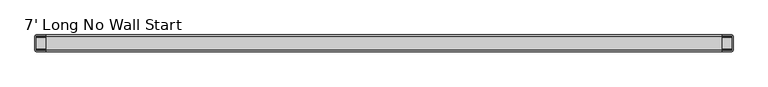
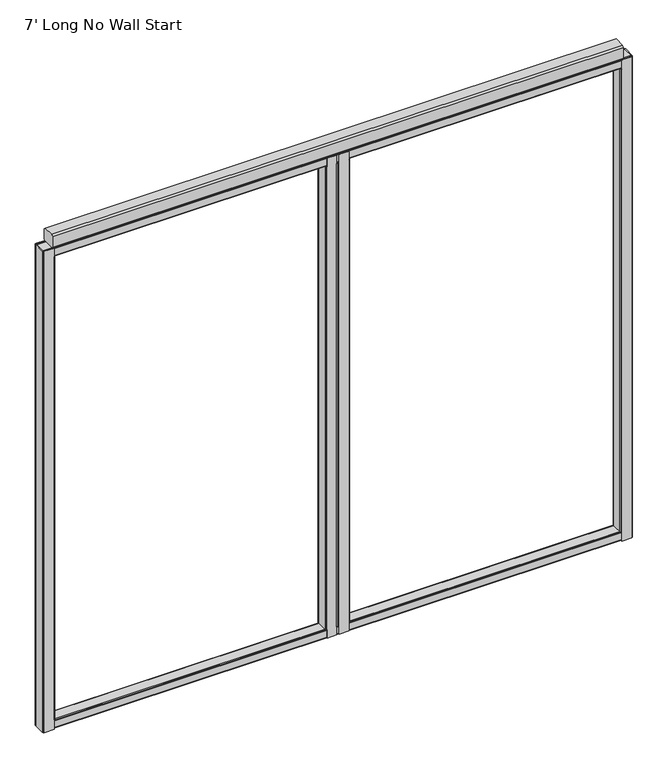
"""IFC4 building model written with IfcOpenShell, lengths in millimetres: furniture geometry, 7' Long No Wall Start."""

from ifc_helpers import new_model, si_unit, frame, origin, place, context, project, spatial, polyline, outline, extrude, faceted_brep, source, transform, mapped, element, save


def furniture_7_long_no_wall_start_5227ac3f(model_context):
    return source(origin(), model_context, "Body", "SolidModel", [
        faceted_brep([(1062.3042, 25.4, 1937.6408515), (1026.8458, 25.4, 1937.6408515), (1026.8458, 23.1181008, 1937.6408515), (1027.2651471, 23.2918, 1937.6408515), (1061.8848529, 23.2918, 1937.6408515), (1062.3042, 23.1181008, 1937.6408515), (1026.8458, -25.4, 1937.6408515), (1062.3042, -25.4, 1937.6408515), (1062.3042, -23.1181008, 1937.6408515), (1061.8848529, -23.2918, 1937.6408515), (1027.2651471, -23.2918, 1937.6408515), (1026.8458, -23.1181008, 1937.6408515), (1062.3042, -25.4, 104.7768515), (1026.8458, -25.4, 104.7768515), (1026.8458, -23.1181008, 104.7768515), (1027.2651471, -23.2918, 104.7768515), (1061.8848529, -23.2918, 104.7768515), (1062.3042, -23.1181008, 104.7768515), (1026.8458, 25.4, 104.7768515), (1062.3042, 25.4, 104.7768515), (1062.3042, 23.1181008, 104.7768515), (1061.8848529, 23.2918, 104.7768515), (1027.2651471, 23.2918, 104.7768515), (1026.8458, 23.1181008, 104.7768515), (1022.35, -20.9042, 1905.6368515), (1022.35, 20.9042, 1905.6368515), (1022.35, 20.9042, 136.7808515), (1022.35, -20.9042, 136.7808515), (1026.8458, -25.4, 1905.6368515), (1026.8458, -25.4, 136.7808515), (1062.3042, -25.4, 136.7808515), (1062.3042, -25.4, 1905.6368515), (1066.8, -20.9042, 136.7808515), (1066.8, 20.9042, 136.7808515), (1066.8, 20.9042, 1905.6368515), (1066.8, -20.9042, 1905.6368515), (1062.3042, 25.4, 1905.6368515), (1062.3042, 25.4, 136.7808515), (1026.8458, 25.4, 136.7808515), (1026.8458, 25.4, 1905.6368515), (1023.6667893, 24.0832107, 1905.6368515), (1023.6667893, 24.0832107, 136.7808515), (1023.6667893, -24.0832107, 1905.6368515), (1023.6667893, -24.0832107, 136.7808515), (1065.4832107, -24.0832107, 136.7808515), (1065.4832107, -24.0832107, 1905.6368515), (1065.4832107, 24.0832107, 136.7808515), (1065.4832107, 24.0832107, 1905.6368515), (1024.4582, 20.4848529, 1905.6368515), (1024.4582, -20.4848529, 1905.6368515), (1024.4582, -20.4848529, 136.7808515), (1024.4582, 20.4848529, 136.7808515), (1025.2803358, 22.4696642, 1905.6368515), (1025.2803358, 22.4696642, 136.7808515), (1026.8458, 23.1181008, 1905.6368515), (1026.8458, 23.1181008, 136.7808515), (1062.3042, 23.1181008, 136.7808515), (1063.8696642, 22.4696642, 136.7808515), (1063.8696642, 22.4696642, 1905.6368515), (1062.3042, 23.1181008, 1905.6368515), (1064.6918, 20.4848529, 136.7808515), (1064.6918, 20.4848529, 1905.6368515), (1064.6918, -20.4848529, 136.7808515), (1064.6918, -20.4848529, 1905.6368515), (1063.8696642, -22.4696642, 136.7808515), (1063.8696642, -22.4696642, 1905.6368515), (1062.3042, -23.1181008, 1905.6368515), (1062.3042, -23.1181008, 136.7808515), (1026.8458, -23.1181008, 136.7808515), (1025.2803358, -22.4696642, 136.7808515), (1025.2803358, -22.4696642, 1905.6368515), (1026.8458, -23.1181008, 1905.6368515)], [[[0, 1, 2, 3, 4, 5]], [[6, 7, 8, 9, 10, 11]], [[12, 13, 14, 15, 16, 17]], [[18, 19, 20, 21, 22, 23]], [[24, 25, 26, 27]], [[7, 6, 28, 29, 13, 12, 30, 31]], [[32, 33, 34, 35]], [[1, 0, 36, 37, 19, 18, 38, 39]], [[40, 39, 38, 41]], [[25, 40, 41, 26]], [[42, 24, 27, 43]], [[28, 42, 43, 29]], [[30, 44, 45, 31]], [[44, 32, 35, 45]], [[33, 46, 47, 34]], [[46, 37, 36, 47]], [[48, 49, 50, 51]], [[52, 48, 51, 53]], [[22, 3, 2, 54, 52, 53, 55, 23]], [[4, 3, 22, 21]], [[4, 21, 20, 56, 57, 58, 59, 5]], [[57, 60, 61, 58]], [[60, 62, 63, 61]], [[62, 64, 65, 63]], [[16, 9, 8, 66, 65, 64, 67, 17]], [[10, 9, 16, 15]], [[10, 15, 14, 68, 69, 70, 71, 11]], [[49, 70, 69, 50]], [[54, 39, 40, 25, 24, 42, 28, 71, 70, 49, 48, 52]], [[39, 54, 2, 1]], [[71, 28, 6, 11]], [[38, 55, 53, 51, 50, 69, 68, 29, 43, 27, 26, 41]], [[55, 38, 18, 23]], [[29, 68, 14, 13]], [[56, 37, 46, 33, 32, 44, 30, 67, 64, 62, 60, 57]], [[37, 56, 20, 19]], [[67, 30, 12, 17]], [[36, 59, 58, 61, 63, 65, 66, 31, 45, 35, 34, 47]], [[59, 36, 0, 5]], [[31, 66, 8, 7]]]),
        faceted_brep([(1106.7542, 25.4, 1937.6408515), (1071.2958, 25.4, 1937.6408515), (1071.2958, 23.1181008, 1937.6408515), (1071.7151471, 23.2918, 1937.6408515), (1106.3348529, 23.2918, 1937.6408515), (1106.7542, 23.1181008, 1937.6408515), (1071.2958, -25.4, 1937.6408515), (1106.7542, -25.4, 1937.6408515), (1106.7542, -23.1181008, 1937.6408515), (1106.3348529, -23.2918, 1937.6408515), (1071.7151471, -23.2918, 1937.6408515), (1071.2958, -23.1181008, 1937.6408515), (1106.7542, -25.4, 104.7768515), (1071.2958, -25.4, 104.7768515), (1071.2958, -23.1181008, 104.7768515), (1071.7151471, -23.2918, 104.7768515), (1106.3348529, -23.2918, 104.7768515), (1106.7542, -23.1181008, 104.7768515), (1071.2958, 25.4, 104.7768515), (1106.7542, 25.4, 104.7768515), (1106.7542, 23.1181008, 104.7768515), (1106.3348529, 23.2918, 104.7768515), (1071.7151471, 23.2918, 104.7768515), (1071.2958, 23.1181008, 104.7768515), (1111.25, 20.9042, 1905.6368515), (1111.25, -20.9042, 1905.6368515), (1111.25, -20.9042, 136.7808515), (1111.25, 20.9042, 136.7808515), (1071.2958, -25.4, 1905.6368515), (1071.2958, -25.4, 136.7808515), (1106.7542, -25.4, 136.7808515), (1106.7542, -25.4, 1905.6368515), (1066.8, -20.9042, 1905.6368515), (1066.8, 20.9042, 1905.6368515), (1066.8, 20.9042, 136.7808515), (1066.8, -20.9042, 136.7808515), (1106.7542, 25.4, 1905.6368515), (1106.7542, 25.4, 136.7808515), (1071.2958, 25.4, 136.7808515), (1071.2958, 25.4, 1905.6368515), (1109.9332107, 24.0832107, 1905.6368515), (1109.9332107, 24.0832107, 136.7808515), (1109.9332107, -24.0832107, 1905.6368515), (1109.9332107, -24.0832107, 136.7808515), (1068.1167893, -24.0832107, 1905.6368515), (1068.1167893, -24.0832107, 136.7808515), (1068.1167893, 24.0832107, 1905.6368515), (1068.1167893, 24.0832107, 136.7808515), (1109.1418, -20.4848529, 1905.6368515), (1109.1418, 20.4848529, 1905.6368515), (1109.1418, 20.4848529, 136.7808515), (1109.1418, -20.4848529, 136.7808515), (1108.3196642, 22.4696642, 1905.6368515), (1108.3196642, 22.4696642, 136.7808515), (1106.7542, 23.1181008, 136.7808515), (1106.7542, 23.1181008, 1905.6368515), (1071.2958, 23.1181008, 1905.6368515), (1069.7303358, 22.4696642, 1905.6368515), (1069.7303358, 22.4696642, 136.7808515), (1071.2958, 23.1181008, 136.7808515), (1068.9082, 20.4848529, 1905.6368515), (1068.9082, 20.4848529, 136.7808515), (1068.9082, -20.4848529, 1905.6368515), (1068.9082, -20.4848529, 136.7808515), (1069.7303358, -22.4696642, 1905.6368515), (1069.7303358, -22.4696642, 136.7808515), (1071.2958, -23.1181008, 136.7808515), (1071.2958, -23.1181008, 1905.6368515), (1106.7542, -23.1181008, 1905.6368515), (1108.3196642, -22.4696642, 1905.6368515), (1108.3196642, -22.4696642, 136.7808515), (1106.7542, -23.1181008, 136.7808515)], [[[0, 1, 2, 3, 4, 5]], [[6, 7, 8, 9, 10, 11]], [[12, 13, 14, 15, 16, 17]], [[18, 19, 20, 21, 22, 23]], [[24, 25, 26, 27]], [[7, 6, 28, 29, 13, 12, 30, 31]], [[32, 33, 34, 35]], [[1, 0, 36, 37, 19, 18, 38, 39]], [[36, 40, 41, 37]], [[40, 24, 27, 41]], [[25, 42, 43, 26]], [[42, 31, 30, 43]], [[28, 44, 45, 29]], [[44, 32, 35, 45]], [[33, 46, 47, 34]], [[46, 39, 38, 47]], [[48, 49, 50, 51]], [[49, 52, 53, 50]], [[4, 21, 20, 54, 53, 52, 55, 5]], [[4, 3, 22, 21]], [[22, 3, 2, 56, 57, 58, 59, 23]], [[57, 60, 61, 58]], [[60, 62, 63, 61]], [[62, 64, 65, 63]], [[10, 15, 14, 66, 65, 64, 67, 11]], [[10, 9, 16, 15]], [[16, 9, 8, 68, 69, 70, 71, 17]], [[69, 48, 51, 70]], [[36, 55, 52, 49, 48, 69, 68, 31, 42, 25, 24, 40]], [[55, 36, 0, 5]], [[31, 68, 8, 7]], [[54, 37, 41, 27, 26, 43, 30, 71, 70, 51, 50, 53]], [[37, 54, 20, 19]], [[71, 30, 12, 17]], [[56, 39, 46, 33, 32, 44, 28, 67, 64, 62, 60, 57]], [[39, 56, 2, 1]], [[67, 28, 6, 11]], [[38, 59, 58, 61, 63, 65, 66, 29, 45, 35, 34, 47]], [[59, 38, 18, 23]], [[29, 66, 14, 13]]]),
        faceted_brep([(39.9542, 25.4, 1940.56), (4.4958, 25.4, 1940.56), (1.3167893, 24.0832107, 1940.56), (0.0, 20.9042, 1940.56), (0.0, -20.9042, 1940.56), (1.3167893, -24.0832107, 1940.56), (4.4958, -25.4, 1940.56), (39.9542, -25.4, 1940.56), (39.9542, -23.1181008, 1940.56), (39.5348529, -23.2918, 1940.56), (4.9151471, -23.2918, 1940.56), (2.9303358, -22.4696642, 1940.56), (2.1082, -20.4848529, 1940.56), (2.1082, 20.4848529, 1940.56), (2.9303358, 22.4696642, 1940.56), (4.9151471, 23.2918, 1940.56), (39.5348529, 23.2918, 1940.56), (39.9542, 23.1181008, 1940.56), (39.9542, -25.4, 101.6), (4.4958, -25.4, 101.6), (1.3167893, -24.0832107, 101.6), (0.0, -20.9042, 101.6), (0.0, 20.9042, 101.6), (1.3167893, 24.0832107, 101.6), (4.4958, 25.4, 101.6), (39.9542, 25.4, 101.6), (39.9542, 23.1181008, 101.6), (39.5348529, 23.2918, 101.6), (4.9151471, 23.2918, 101.6), (2.9303358, 22.4696642, 101.6), (2.1082, 20.4848529, 101.6), (2.1082, -20.4848529, 101.6), (2.9303358, -22.4696642, 101.6), (4.9151471, -23.2918, 101.6), (39.5348529, -23.2918, 101.6), (39.9542, -23.1181008, 101.6), (44.45, 20.9042, 1905.635), (44.45, -20.9042, 1905.635), (44.45, -20.9042, 136.525), (44.45, 20.9042, 136.525), (39.9542, -25.4, 136.525), (39.9542, -25.4, 1905.635), (39.9542, 25.4, 1905.635), (39.9542, 25.4, 136.525), (43.1332107, 24.0832107, 1905.635), (43.1332107, 24.0832107, 136.525), (43.1332107, -24.0832107, 1905.635), (43.1332107, -24.0832107, 136.525), (42.3418, -20.4848529, 1905.635), (42.3418, 20.4848529, 1905.635), (42.3418, 20.4848529, 136.525), (42.3418, -20.4848529, 136.525), (41.5196642, 22.4696642, 1905.635), (41.5196642, 22.4696642, 136.525), (39.9542, 23.1181008, 136.525), (39.9542, 23.1181008, 1905.635), (39.9542, -23.1181008, 1905.635), (41.5196642, -22.4696642, 1905.635), (41.5196642, -22.4696642, 136.525), (39.9542, -23.1181008, 136.525)], [[[0, 1, 2, 3, 4, 5, 6, 7, 8, 9, 10, 11, 12, 13, 14, 15, 16, 17]], [[18, 19, 20, 21, 22, 23, 24, 25, 26, 27, 28, 29, 30, 31, 32, 33, 34, 35]], [[36, 37, 38, 39]], [[7, 6, 19, 18, 40, 41]], [[4, 3, 22, 21]], [[1, 0, 42, 43, 25, 24]], [[42, 44, 45, 43]], [[44, 36, 39, 45]], [[37, 46, 47, 38]], [[46, 41, 40, 47]], [[6, 5, 20, 19]], [[5, 4, 21, 20]], [[3, 2, 23, 22]], [[2, 1, 24, 23]], [[48, 49, 50, 51]], [[49, 52, 53, 50]], [[16, 27, 26, 54, 53, 52, 55, 17]], [[16, 15, 28, 27]], [[15, 14, 29, 28]], [[14, 13, 30, 29]], [[13, 12, 31, 30]], [[12, 11, 32, 31]], [[11, 10, 33, 32]], [[10, 9, 34, 33]], [[34, 9, 8, 56, 57, 58, 59, 35]], [[57, 48, 51, 58]], [[42, 55, 52, 49, 48, 57, 56, 41, 46, 37, 36, 44]], [[55, 42, 0, 17]], [[41, 56, 8, 7]], [[54, 43, 45, 39, 38, 47, 40, 59, 58, 51, 50, 53]], [[43, 54, 26, 25]], [[59, 40, 18, 35]]]),
        faceted_brep([(2093.6458, -25.4, 1940.56), (2129.1042, -25.4, 1940.56), (2132.2832107, -24.0832107, 1940.56), (2133.6, -20.9042, 1940.56), (2133.6, 20.9042, 1940.56), (2132.2832107, 24.0832107, 1940.56), (2129.1042, 25.4, 1940.56), (2093.6458, 25.4, 1940.56), (2093.6458, 23.1181008, 1940.56), (2094.0651471, 23.2918, 1940.56), (2128.6848529, 23.2918, 1940.56), (2130.6696642, 22.4696642, 1940.56), (2131.4918, 20.4848529, 1940.56), (2131.4918, -20.4848529, 1940.56), (2130.6696642, -22.4696642, 1940.56), (2128.6848529, -23.2918, 1940.56), (2094.0651471, -23.2918, 1940.56), (2093.6458, -23.1181008, 1940.56), (2093.6458, 25.4, 101.6), (2129.1042, 25.4, 101.6), (2132.2832107, 24.0832107, 101.6), (2133.6, 20.9042, 101.6), (2133.6, -20.9042, 101.6), (2132.2832107, -24.0832107, 101.6), (2129.1042, -25.4, 101.6), (2093.6458, -25.4, 101.6), (2093.6458, -23.1181008, 101.6), (2094.0651471, -23.2918, 101.6), (2128.6848529, -23.2918, 101.6), (2130.6696642, -22.4696642, 101.6), (2131.4918, -20.4848529, 101.6), (2131.4918, 20.4848529, 101.6), (2130.6696642, 22.4696642, 101.6), (2128.6848529, 23.2918, 101.6), (2094.0651471, 23.2918, 101.6), (2093.6458, 23.1181008, 101.6), (2089.15, -20.9042, 1905.635), (2089.15, 20.9042, 1905.635), (2089.15, 20.9042, 136.525), (2089.15, -20.9042, 136.525), (2093.6458, -25.4, 1905.635), (2093.6458, -25.4, 136.525), (2093.6458, 25.4, 136.525), (2093.6458, 25.4, 1905.635), (2090.4667893, 24.0832107, 1905.635), (2090.4667893, 24.0832107, 136.525), (2090.4667893, -24.0832107, 1905.635), (2090.4667893, -24.0832107, 136.525), (2091.2582, 20.4848529, 1905.635), (2091.2582, -20.4848529, 1905.635), (2091.2582, -20.4848529, 136.525), (2091.2582, 20.4848529, 136.525), (2092.0803358, 22.4696642, 1905.635), (2092.0803358, 22.4696642, 136.525), (2093.6458, 23.1181008, 1905.635), (2093.6458, 23.1181008, 136.525), (2093.6458, -23.1181008, 136.525), (2092.0803358, -22.4696642, 136.525), (2092.0803358, -22.4696642, 1905.635), (2093.6458, -23.1181008, 1905.635)], [[[0, 1, 2, 3, 4, 5, 6, 7, 8, 9, 10, 11, 12, 13, 14, 15, 16, 17]], [[18, 19, 20, 21, 22, 23, 24, 25, 26, 27, 28, 29, 30, 31, 32, 33, 34, 35]], [[36, 37, 38, 39]], [[1, 0, 40, 41, 25, 24]], [[4, 3, 22, 21]], [[7, 6, 19, 18, 42, 43]], [[44, 43, 42, 45]], [[37, 44, 45, 38]], [[46, 36, 39, 47]], [[40, 46, 47, 41]], [[2, 1, 24, 23]], [[3, 2, 23, 22]], [[5, 4, 21, 20]], [[6, 5, 20, 19]], [[48, 49, 50, 51]], [[52, 48, 51, 53]], [[34, 9, 8, 54, 52, 53, 55, 35]], [[10, 9, 34, 33]], [[11, 10, 33, 32]], [[12, 11, 32, 31]], [[13, 12, 31, 30]], [[14, 13, 30, 29]], [[15, 14, 29, 28]], [[16, 15, 28, 27]], [[16, 27, 26, 56, 57, 58, 59, 17]], [[49, 58, 57, 50]], [[54, 43, 44, 37, 36, 46, 40, 59, 58, 49, 48, 52]], [[43, 54, 8, 7]], [[59, 40, 0, 17]], [[42, 55, 53, 51, 50, 57, 56, 41, 47, 39, 38, 45]], [[55, 42, 18, 35]], [[41, 56, 26, 25]]]),
        extrude(outline(polyline([(-18.7325958, 101.6), (-21.884598, 102.905602), (-23.1902, 106.0576042), (-23.1902, 132.0673958), (-21.884598, 135.219398), (-18.7325958, 136.525), (18.7325958, 136.525), (21.884598, 135.219398), (23.1902, 132.0673958), (23.1902, 106.0576042), (21.884598, 102.905602), (18.7325958, 101.6), (-18.7325958, 101.6)]), holes=[polyline([(-18.3132488, 103.7082), (18.3132488, 103.7082), (20.2710515, 104.5191485), (21.082, 106.4769512), (21.082, 131.6480488), (20.2710515, 133.6058515), (18.3132488, 134.4168), (-18.3132488, 134.4168), (-20.2710515, 133.6058515), (-21.082, 131.6480488), (-21.082, 106.4769512), (-20.2710515, 104.5191485), (-18.3132488, 103.7082)])]), frame((2.1082, 0.0, 0.0), z_axis=(1.0, 0.0, 0.0), x_axis=(0.0, 1.0, 0.0)), (0.0, 0.0, 1.0), 2129.3836),
        extrude(outline(polyline([(-18.7325958, 1940.56), (18.7325958, 1940.56), (21.884598, 1939.254398), (23.1902, 1936.1023958), (23.1902, 1910.0926042), (21.884598, 1906.940602), (18.7325958, 1905.635), (-18.7325958, 1905.635), (-21.884598, 1906.940602), (-23.1902, 1910.0926042), (-23.1902, 1936.1023958), (-21.884598, 1939.254398), (-18.7325958, 1940.56)]), holes=[polyline([(-18.3132488, 1938.4518), (-20.2710515, 1937.6408515), (-21.082, 1935.6830488), (-21.082, 1910.5119512), (-20.2710515, 1908.5541485), (-18.3132488, 1907.7432), (18.3132488, 1907.7432), (20.2710515, 1908.5541485), (21.082, 1910.5119512), (21.082, 1935.6830488), (20.2710515, 1937.6408515), (18.3132488, 1938.4518), (-18.3132488, 1938.4518)])]), frame((2.1082, 0.0, 0.0), z_axis=(1.0, 0.0, 0.0), x_axis=(0.0, 1.0, 0.0)), (0.0, 0.0, 1.0), 2129.3836),
        extrude(outline(polyline([(19.908865, 1991.36), (25.4, 1985.868865), (25.4, 1946.051135), (19.908865, 1940.56), (-19.908865, 1940.56), (-25.4, 1946.051135), (-25.4, 1985.868865), (-19.908865, 1991.36), (19.908865, 1991.36)])), frame((34.5948, 0.0, 0.0), z_axis=(1.0, 0.0, 0.0), x_axis=(0.0, 1.0, 0.0)), (0.0, 0.0, 1.0), 2064.4104),
    ])


if __name__ == "__main__":
    model = new_model("IFC4")
    model_context = context("Model", 3, world=origin())
    ifc_project = project(units=[si_unit("LENGTHUNIT", "METRE", prefix="MILLI")], contexts=[model_context])
    site = spatial("IfcSite", under=ifc_project)
    building = spatial("IfcBuilding", under=site)
    placement = place(None, origin())
    furniture_7_long_no_wall_start_shape = furniture_7_long_no_wall_start_5227ac3f(model_context)
    element("IfcFurniture", 1, ObjectType="7' Long No Wall Start", at=placement, inside=building, context=model_context, shape_type="MappedRepresentation", body=[
        mapped(furniture_7_long_no_wall_start_shape, transform((0.0, 0.0, 0.0), x_axis=(1.0, 0.0, 0.0), y_axis=(0.0, 1.0, 0.0), z_axis=(0.0, 0.0, 1.0))),
    ])
    save(model, "model.ifc")
